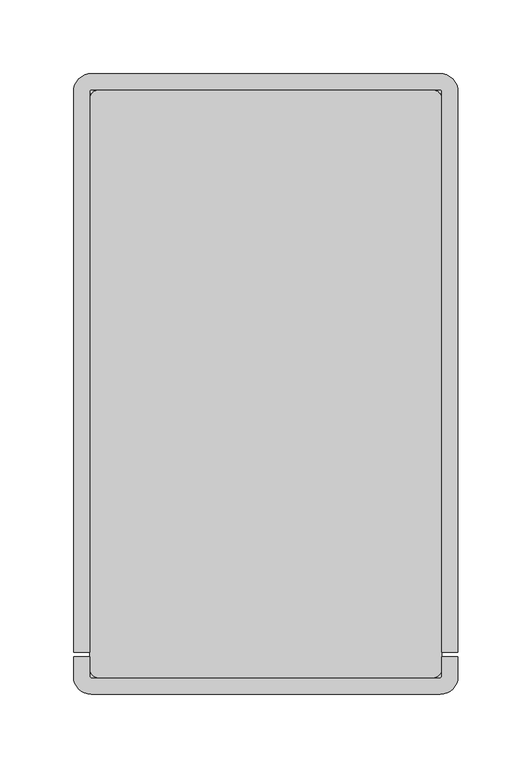
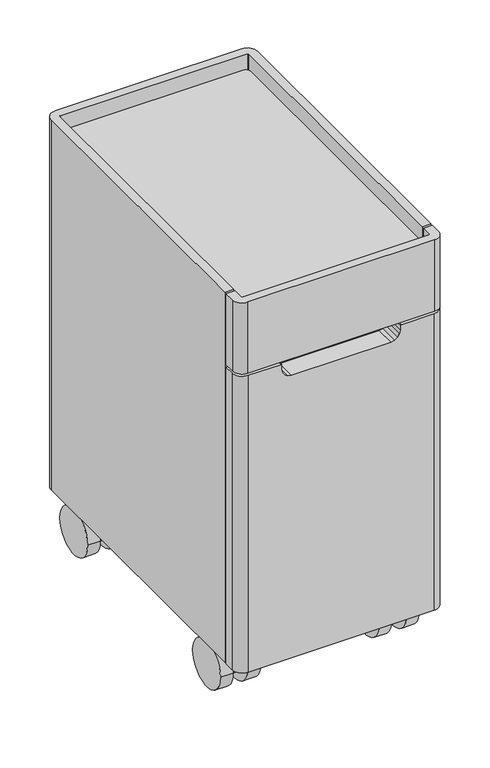
"""IFC4 building model written with IfcOpenShell, lengths in millimetres: furniture geometry."""

from ifc_helpers import new_model, si_unit, point, frame, frame_2d, origin, place, context, project, spatial, polyline, circle_curve, trimmed, segment, composite_curve, outline, extrude, source, transform, mapped, element, save
from ifc_brep_helpers import plane_surface, cylinder_surface, revolved_surface, advanced_brep


def furniture_dfc03f1b(model_context):
    return source(origin(), model_context, "Body", "SolidModel", [
        advanced_brep(
        [(230.8338534, 392.1080568, 81.9865934), (230.8338534, 384.3838281, 81.9865934), (230.8338534, 388.2459425, 81.9865934), (230.8338534, 396.2469802, 60.9600009), (230.8338534, 380.2449047, 60.9600009), (230.8338534, 396.2469802, 30.4800005), (230.8338534, 380.2449047, 30.4800005), (230.8338534, 388.2459425, 30.4800005)],
        [
            (0, 1, circle_curve(frame((230.8338534, 388.2459425, 81.9865934), z_axis=(0.0, 0.0, 1.0), x_axis=(0.0, -1.0, 0.0)), 3.8621143)),
            (1, 2),
            (2, 0),
            (1, 0, circle_curve(frame((230.8338534, 388.2459425, 81.9865934), z_axis=(0.0, 0.0, 1.0), x_axis=(0.0, -1.0, 0.0)), 3.8621143)),
            (0, 3),
            (3, 4, circle_curve(frame((230.8338534, 388.2459425, 60.9600009), z_axis=(0.0, 0.0, 1.0), x_axis=(0.0, -1.0, 0.0)), 8.0010378)),
            (4, 1),
            (4, 3, circle_curve(frame((230.8338534, 388.2459425, 60.9600009), z_axis=(0.0, 0.0, 1.0), x_axis=(0.0, -1.0, 0.0)), 8.0010378)),
            (3, 5),
            (5, 6, circle_curve(frame((230.8338534, 388.2459425, 30.4800005), z_axis=(0.0, 0.0, 1.0), x_axis=(0.0, -1.0, 0.0)), 8.0010378)),
            (6, 4),
            (6, 5, circle_curve(frame((230.8338534, 388.2459425, 30.4800005), z_axis=(0.0, 0.0, 1.0), x_axis=(0.0, -1.0, 0.0)), 8.0010378)),
            (5, 7),
            (7, 6),
        ],
        [
            plane_surface(frame((230.8338534, 388.2459425, 81.9865934), z_axis=(0.0, 0.0, 1.0), x_axis=(0.0, -1.0, 0.0))),
            revolved_surface(polyline([(230.8338534, 384.3838281, 81.9865934), (230.8338534, 380.2449047, 60.9600009)]), (230.8338534, 388.2459425, 64.8312081), (0.0, 0.0, -1.0)),
            cylinder_surface(frame((230.8338534, 388.2459425, 64.8312081), z_axis=(0.0, 0.0, -1.0), x_axis=(0.0, -1.0, 0.0)), 8.0010378),
            plane_surface(frame((230.8338534, 388.2459425, 30.4800005), z_axis=(0.0, 0.0, -1.0), x_axis=(0.0, -1.0, 0.0))),
        ],
        [
            (0, [[1, 2, 3]]),
            (0, [[-2, 4, -3]]),
            (1, [[-1, 5, 6, 7]]),
            (1, [[-4, -7, 8, -5]]),
            (2, [[-6, 9, 10, 11]]),
            (2, [[-8, -11, 12, -9]]),
            (3, [[-10, 13, 14]]),
            (3, [[-12, -14, -13]]),
        ],
    ),
        extrude(outline(composite_curve([segment(trimmed(circle_curve(frame_2d((367.9259255, 30.4800005)), 30.4800005), [point((337.445925, 30.4800005))], [point((398.405926, 30.4800005))], False, "CARTESIAN"), True, "CONTINUOUS"), segment(trimmed(circle_curve(frame_2d((367.9259255, 30.4800005)), 30.4800005), [point((398.405926, 30.4800005))], [point((337.445925, 30.4800005))], False, "CARTESIAN"), True, "CONTINUOUS")], self_intersect=False)), frame((240.2318535, 0.0, 0.0), z_axis=(1.0, 0.0, 0.0), x_axis=(0.0, 1.0, 0.0)), (0.0, 0.0, 1.0), 16.0020006),
        extrude(outline(composite_curve([segment(trimmed(circle_curve(frame_2d((367.9259255, 30.4800005)), 30.4800005), [point((337.445925, 30.4800005))], [point((398.405926, 30.4800005))], False, "CARTESIAN"), True, "CONTINUOUS"), segment(trimmed(circle_curve(frame_2d((367.9259255, 30.4800005)), 30.4800005), [point((398.405926, 30.4800005))], [point((337.445925, 30.4800005))], False, "CARTESIAN"), True, "CONTINUOUS")], self_intersect=False)), frame((205.4338526, 0.0, 0.0), z_axis=(1.0, 0.0, 0.0), x_axis=(0.0, 1.0, 0.0)), (0.0, 0.0, 1.0), 16.0020008),
        extrude(outline(composite_curve([segment(trimmed(circle_curve(frame_2d((367.9259255, 30.4800005)), 30.4800005), [point((337.445925, 30.4800005))], [point((398.405926, 30.4800005))], False, "CARTESIAN"), True, "CONTINUOUS"), segment(polyline([(398.405926, 30.4800005), (337.445925, 30.4800005)]), True, "CONTINUOUS")], self_intersect=False)), frame((222.2935172, 0.0, 0.0), z_axis=(1.0, 0.0, 0.0), x_axis=(0.0, 1.0, 0.0)), (0.0, 0.0, 1.0), 17.0806723),
        advanced_brep(
        [(230.8338534, 56.2728064, 81.9865934), (230.8338534, 60.1349207, 81.9865934), (230.8338534, 52.410692, 81.9865934), (230.8338534, 64.2738442, 60.9600009), (230.8338534, 48.2717686, 60.9600009), (230.8338534, 64.2738442, 30.4800005), (230.8338534, 48.2717686, 30.4800005), (230.8338534, 56.2728064, 30.4800005)],
        [
            (0, 1),
            (1, 2, circle_curve(frame((230.8338534, 56.2728064, 81.9865934), z_axis=(0.0, 0.0, 1.0), x_axis=(0.0, 1.0, 0.0)), 3.8621143)),
            (2, 0),
            (2, 1, circle_curve(frame((230.8338534, 56.2728064, 81.9865934), z_axis=(0.0, 0.0, 1.0), x_axis=(0.0, 1.0, 0.0)), 3.8621143)),
            (1, 3),
            (3, 4, circle_curve(frame((230.8338534, 56.2728064, 60.9600009), z_axis=(0.0, 0.0, 1.0), x_axis=(0.0, 1.0, 0.0)), 8.0010378)),
            (4, 2),
            (4, 3, circle_curve(frame((230.8338534, 56.2728064, 60.9600009), z_axis=(0.0, 0.0, 1.0), x_axis=(0.0, 1.0, 0.0)), 8.0010378)),
            (3, 5),
            (5, 6, circle_curve(frame((230.8338534, 56.2728064, 30.4800005), z_axis=(0.0, 0.0, 1.0), x_axis=(0.0, 1.0, 0.0)), 8.0010378)),
            (6, 4),
            (6, 5, circle_curve(frame((230.8338534, 56.2728064, 30.4800005), z_axis=(0.0, 0.0, 1.0), x_axis=(0.0, 1.0, 0.0)), 8.0010378)),
            (5, 7),
            (7, 6),
        ],
        [
            plane_surface(frame((230.8338534, 56.2728064, 81.9865934), z_axis=(0.0, 0.0, 1.0), x_axis=(0.0, 1.0, 0.0))),
            revolved_surface(polyline([(230.8338534, 64.2738442, 60.9600009), (230.8338534, 60.1349207, 81.9865934)]), (230.8338534, 56.2728064, 64.8312081), (0.0, 0.0, 1.0)),
            cylinder_surface(frame((230.8338534, 56.2728064, 64.8312081), z_axis=(0.0, 0.0, 1.0), x_axis=(0.0, 1.0, 0.0)), 8.0010378),
            plane_surface(frame((230.8338534, 56.2728064, 30.4800005), z_axis=(0.0, 0.0, -1.0), x_axis=(0.0, 1.0, 0.0))),
        ],
        [
            (0, [[1, 2, 3]]),
            (0, [[-1, -3, 4]]),
            (1, [[-2, 5, 6, 7]]),
            (1, [[-4, -7, 8, -5]]),
            (2, [[-6, 9, 10, 11]]),
            (2, [[-8, -11, 12, -9]]),
            (3, [[-10, 13, 14]]),
            (3, [[-12, -14, -13]]),
        ],
    ),
        extrude(outline(composite_curve([segment(trimmed(circle_curve(frame_2d((76.5928234, 30.4800005)), 30.4800005), [point((46.1128229, 30.4800005))], [point((107.0728238, 30.4800005))], False, "CARTESIAN"), True, "CONTINUOUS"), segment(trimmed(circle_curve(frame_2d((76.5928234, 30.4800005)), 30.4800005), [point((107.0728238, 30.4800005))], [point((46.1128229, 30.4800005))], False, "CARTESIAN"), True, "CONTINUOUS")], self_intersect=False)), frame((240.2318535, 0.0, 0.0), z_axis=(1.0, 0.0, 0.0), x_axis=(0.0, 1.0, 0.0)), (0.0, 0.0, 1.0), 16.0020006),
        extrude(outline(composite_curve([segment(trimmed(circle_curve(frame_2d((76.5928234, 30.4800005)), 30.4800005), [point((107.0728238, 30.4800005))], [point((46.1128229, 30.4800005))], False, "CARTESIAN"), True, "CONTINUOUS"), segment(trimmed(circle_curve(frame_2d((76.5928234, 30.4800005)), 30.4800005), [point((46.1128229, 30.4800005))], [point((107.0728238, 30.4800005))], False, "CARTESIAN"), True, "CONTINUOUS")], self_intersect=False)), frame((205.4338526, 0.0, 0.0), z_axis=(1.0, 0.0, 0.0), x_axis=(0.0, 1.0, 0.0)), (0.0, 0.0, 1.0), 16.0020008),
        extrude(outline(composite_curve([segment(trimmed(circle_curve(frame_2d((76.5928234, 30.4800005)), 30.4800005), [point((46.1128229, 30.4800005))], [point((107.0728238, 30.4800005))], False, "CARTESIAN"), True, "CONTINUOUS"), segment(polyline([(107.0728238, 30.4800005), (46.1128229, 30.4800005)]), True, "CONTINUOUS")], self_intersect=False)), frame((222.2935172, 0.0, 0.0), z_axis=(1.0, 0.0, 0.0), x_axis=(0.0, 1.0, 0.0)), (0.0, 0.0, 1.0), 17.0806723),
        advanced_brep(
        [(30.1661494, 388.2459425, 81.9865934), (30.1661494, 384.3838281, 81.9865934), (30.1661494, 392.1080568, 81.9865934), (30.1661494, 380.2449047, 60.9600009), (30.1661494, 396.2469802, 60.9600009), (30.1661494, 380.2449047, 30.4800005), (30.1661494, 396.2469802, 30.4800005), (30.1661494, 388.2459425, 30.4800005)],
        [
            (0, 1),
            (1, 2, circle_curve(frame((30.1661494, 388.2459425, 81.9865934), z_axis=(0.0, 0.0, 1.0), x_axis=(0.0, -1.0, 0.0)), 3.8621143)),
            (2, 0),
            (2, 1, circle_curve(frame((30.1661494, 388.2459425, 81.9865934), z_axis=(0.0, 0.0, 1.0), x_axis=(0.0, -1.0, 0.0)), 3.8621143)),
            (1, 3),
            (3, 4, circle_curve(frame((30.1661494, 388.2459425, 60.9600009), z_axis=(0.0, 0.0, 1.0), x_axis=(0.0, -1.0, 0.0)), 8.0010378)),
            (4, 2),
            (4, 3, circle_curve(frame((30.1661494, 388.2459425, 60.9600009), z_axis=(0.0, 0.0, 1.0), x_axis=(0.0, -1.0, 0.0)), 8.0010378)),
            (3, 5),
            (5, 6, circle_curve(frame((30.1661494, 388.2459425, 30.4800005), z_axis=(0.0, 0.0, 1.0), x_axis=(0.0, -1.0, 0.0)), 8.0010378)),
            (6, 4),
            (6, 5, circle_curve(frame((30.1661494, 388.2459425, 30.4800005), z_axis=(0.0, 0.0, 1.0), x_axis=(0.0, -1.0, 0.0)), 8.0010378)),
            (5, 7),
            (7, 6),
        ],
        [
            plane_surface(frame((30.1661494, 388.2459425, 81.9865934), z_axis=(0.0, 0.0, 1.0), x_axis=(0.0, -1.0, 0.0))),
            revolved_surface(polyline([(30.1661494, 380.2449047, 60.9600009), (30.1661494, 384.3838281, 81.9865934)]), (30.1661494, 388.2459425, 64.8312081), (0.0, 0.0, 1.0)),
            cylinder_surface(frame((30.1661494, 388.2459425, 64.8312081), z_axis=(0.0, 0.0, 1.0), x_axis=(0.0, -1.0, 0.0)), 8.0010378),
            plane_surface(frame((30.1661494, 388.2459425, 30.4800005), z_axis=(0.0, 0.0, -1.0), x_axis=(0.0, -1.0, 0.0))),
        ],
        [
            (0, [[1, 2, 3]]),
            (0, [[-1, -3, 4]]),
            (1, [[-2, 5, 6, 7]]),
            (1, [[-4, -7, 8, -5]]),
            (2, [[-6, 9, 10, 11]]),
            (2, [[-8, -11, 12, -9]]),
            (3, [[-10, 13, 14]]),
            (3, [[-12, -14, -13]]),
        ],
    ),
        extrude(outline(composite_curve([segment(trimmed(circle_curve(frame_2d((367.9259255, 30.4800005)), 30.4800005), [point((337.445925, 30.4800005))], [point((398.405926, 30.4800005))], False, "CARTESIAN"), True, "CONTINUOUS"), segment(trimmed(circle_curve(frame_2d((367.9259255, 30.4800005)), 30.4800005), [point((398.405926, 30.4800005))], [point((337.445925, 30.4800005))], False, "CARTESIAN"), True, "CONTINUOUS")], self_intersect=False)), frame((4.7661486, 0.0, 0.0), z_axis=(1.0, 0.0, 0.0), x_axis=(0.0, 1.0, 0.0)), (0.0, 0.0, 1.0), 16.0020006),
        extrude(outline(composite_curve([segment(trimmed(circle_curve(frame_2d((367.9259255, 30.4800005)), 30.4800005), [point((337.445925, 30.4800005))], [point((398.405926, 30.4800005))], False, "CARTESIAN"), True, "CONTINUOUS"), segment(trimmed(circle_curve(frame_2d((367.9259255, 30.4800005)), 30.4800005), [point((398.405926, 30.4800005))], [point((337.445925, 30.4800005))], False, "CARTESIAN"), True, "CONTINUOUS")], self_intersect=False)), frame((39.5641494, 0.0, 0.0), z_axis=(1.0, 0.0, 0.0), x_axis=(0.0, 1.0, 0.0)), (0.0, 0.0, 1.0), 16.0020008),
        extrude(outline(composite_curve([segment(trimmed(circle_curve(frame_2d((367.9259255, 30.4800005)), 30.4800005), [point((337.445925, 30.4800005))], [point((398.405926, 30.4800005))], False, "CARTESIAN"), True, "CONTINUOUS"), segment(polyline([(398.405926, 30.4800005), (337.445925, 30.4800005)]), True, "CONTINUOUS")], self_intersect=False)), frame((21.6258132, 0.0, 0.0), z_axis=(1.0, 0.0, 0.0), x_axis=(0.0, 1.0, 0.0)), (0.0, 0.0, 1.0), 17.0806723),
        advanced_brep(
        [(30.1661494, 52.410692, 81.9865934), (30.1661494, 60.1349207, 81.9865934), (30.1661494, 56.2728064, 81.9865934), (30.1661494, 48.2717686, 60.9600009), (30.1661494, 64.2738442, 60.9600009), (30.1661494, 48.2717686, 30.4800005), (30.1661494, 64.2738442, 30.4800005), (30.1661494, 56.2728064, 30.4800005)],
        [
            (0, 1, circle_curve(frame((30.1661494, 56.2728064, 81.9865934), z_axis=(0.0, 0.0, 1.0), x_axis=(0.0, 1.0, 0.0)), 3.8621143)),
            (1, 2),
            (2, 0),
            (1, 0, circle_curve(frame((30.1661494, 56.2728064, 81.9865934), z_axis=(0.0, 0.0, 1.0), x_axis=(0.0, 1.0, 0.0)), 3.8621143)),
            (3, 4, circle_curve(frame((30.1661494, 56.2728064, 60.9600009), z_axis=(0.0, 0.0, 1.0), x_axis=(0.0, 1.0, 0.0)), 8.0010378)),
            (4, 1),
            (0, 3),
            (4, 3, circle_curve(frame((30.1661494, 56.2728064, 60.9600009), z_axis=(0.0, 0.0, 1.0), x_axis=(0.0, 1.0, 0.0)), 8.0010378)),
            (5, 6, circle_curve(frame((30.1661494, 56.2728064, 30.4800005), z_axis=(0.0, 0.0, 1.0), x_axis=(0.0, 1.0, 0.0)), 8.0010378)),
            (6, 4),
            (3, 5),
            (6, 5, circle_curve(frame((30.1661494, 56.2728064, 30.4800005), z_axis=(0.0, 0.0, 1.0), x_axis=(0.0, 1.0, 0.0)), 8.0010378)),
            (7, 6),
            (5, 7),
        ],
        [
            plane_surface(frame((30.1661494, 56.2728064, 81.9865934), z_axis=(0.0, 0.0, 1.0), x_axis=(0.0, 1.0, 0.0))),
            revolved_surface(polyline([(30.1661494, 60.1349207, 81.9865934), (30.1661494, 64.2738442, 60.9600009)]), (30.1661494, 56.2728064, 64.8312081), (0.0, 0.0, -1.0)),
            cylinder_surface(frame((30.1661494, 56.2728064, 64.8312081), z_axis=(0.0, 0.0, -1.0), x_axis=(0.0, 1.0, 0.0)), 8.0010378),
            plane_surface(frame((30.1661494, 56.2728064, 30.4800005), z_axis=(0.0, 0.0, -1.0), x_axis=(0.0, 1.0, 0.0))),
        ],
        [
            (0, [[1, 2, 3]]),
            (0, [[4, -3, -2]]),
            (1, [[5, 6, -1, 7]]),
            (1, [[8, -7, -4, -6]]),
            (2, [[9, 10, -5, 11]]),
            (2, [[12, -11, -8, -10]]),
            (3, [[13, -9, 14]]),
            (3, [[-14, -12, -13]]),
        ],
    ),
        advanced_brep(
        [(4.7661486, 107.0728238, 30.4800005), (4.7661486, 46.1128229, 30.4800005), (20.7681494, 107.0728238, 30.4800005), (20.7681494, 76.5928234, 0.0), (20.7681494, 46.1128229, 30.4800005)],
        [
            (0, 1, circle_curve(frame((4.7661486, 76.5928234, 30.4800005), z_axis=(-1.0, 0.0, 0.0), x_axis=(0.0, -1.0, 0.0)), 30.4800005)),
            (1, 0, circle_curve(frame((4.7661486, 76.5928234, 30.4800005), z_axis=(-1.0, 0.0, 0.0), x_axis=(0.0, -1.0, 0.0)), 30.4800005)),
            (0, 2),
            (2, 3, circle_curve(frame((20.7681494, 76.5928234, 30.4800005), z_axis=(-1.0, 0.0, 0.0), x_axis=(0.0, -1.0, 0.0)), 30.4800005)),
            (3, 4, circle_curve(frame((20.7681494, 76.5928234, 30.4800005), z_axis=(-1.0, 0.0, 0.0), x_axis=(0.0, -1.0, 0.0)), 30.4800005)),
            (4, 1),
            (4, 2, circle_curve(frame((20.7681494, 76.5928234, 30.4800005), z_axis=(-1.0, 0.0, 0.0), x_axis=(0.0, -1.0, 0.0)), 30.4800005)),
        ],
        [
            plane_surface(frame((4.7661486, 46.1128229, 30.4800005), z_axis=(-1.0, 0.0, 0.0), x_axis=(0.0, 0.0, 1.0))),
            cylinder_surface(frame((55.5661501, 76.5928234, 30.4800005), z_axis=(-1.0, 0.0, 0.0), x_axis=(0.0, -1.0, 0.0)), 30.4800005),
            plane_surface(frame((20.7681494, 107.0728238, 64.8312081), z_axis=(1.0, 0.0, 0.0), x_axis=(0.0, 0.0, -1.0))),
        ],
        [
            (0, [[1, 2]]),
            (1, [[-1, 3, 4, 5, 6]]),
            (1, [[-2, -6, 7, -3]]),
            (2, [[-4, -7, -5]]),
        ],
    ),
        advanced_brep(
        [(55.5661501, 107.0728238, 30.4800005), (55.5661501, 46.1128229, 30.4800005), (39.5641494, 46.1128229, 30.4800005), (39.5641494, 76.5928234, 0.0), (39.5641494, 107.0728238, 30.4800005)],
        [
            (0, 1, circle_curve(frame((55.5661501, 76.5928234, 30.4800005), z_axis=(1.0, 0.0, 0.0), x_axis=(0.0, -1.0, 0.0)), 30.4800005)),
            (1, 0, circle_curve(frame((55.5661501, 76.5928234, 30.4800005), z_axis=(1.0, 0.0, 0.0), x_axis=(0.0, -1.0, 0.0)), 30.4800005)),
            (1, 2),
            (2, 3, circle_curve(frame((39.5641494, 76.5928234, 30.4800005), z_axis=(1.0, 0.0, 0.0), x_axis=(0.0, -1.0, 0.0)), 30.4800005)),
            (3, 4, circle_curve(frame((39.5641494, 76.5928234, 30.4800005), z_axis=(1.0, 0.0, 0.0), x_axis=(0.0, -1.0, 0.0)), 30.4800005)),
            (4, 0),
            (4, 2, circle_curve(frame((39.5641494, 76.5928234, 30.4800005), z_axis=(1.0, 0.0, 0.0), x_axis=(0.0, -1.0, 0.0)), 30.4800005)),
        ],
        [
            plane_surface(frame((55.5661501, 46.1128229, 30.4800005), z_axis=(1.0, 0.0, 0.0), x_axis=(0.0, 0.0, -1.0))),
            cylinder_surface(frame((55.5661501, 76.5928234, 30.4800005), z_axis=(-1.0, 0.0, 0.0), x_axis=(0.0, -1.0, 0.0)), 30.4800005),
            plane_surface(frame((39.5641494, 46.1128229, 64.8312081), z_axis=(-1.0, 0.0, 0.0), x_axis=(0.0, 0.0, -1.0))),
        ],
        [
            (0, [[1, 2]]),
            (1, [[-2, 3, 4, 5, 6]]),
            (1, [[-1, -6, 7, -3]]),
            (2, [[-5, -4, -7]]),
        ],
    ),
        advanced_brep(
        [(38.7064855, 46.1128229, 30.4800005), (38.7064855, 107.0728238, 30.4800005), (21.6258132, 107.0728238, 30.4800005), (21.6258132, 46.1128229, 30.4800005)],
        [
            (0, 1, circle_curve(frame((38.7064855, 76.5928234, 30.4800005), z_axis=(-1.0, 0.0, 0.0), x_axis=(0.0, -1.0, 0.0)), 30.4800005)),
            (1, 2),
            (2, 3, circle_curve(frame((21.6258132, 76.5928234, 30.4800005), z_axis=(1.0, 0.0, 0.0), x_axis=(0.0, -1.0, 0.0)), 30.4800005)),
            (3, 0),
            (0, 1),
            (2, 3),
        ],
        [
            cylinder_surface(frame((55.5661501, 76.5928234, 30.4800005), z_axis=(-1.0, 0.0, 0.0), x_axis=(0.0, -1.0, 0.0)), 30.4800005),
            plane_surface(frame((38.7064855, 107.0728238, 64.8312081), z_axis=(1.0, 0.0, 0.0), x_axis=(0.0, 0.0, -1.0))),
            plane_surface(frame((21.6258132, 46.1128229, 64.8312081), z_axis=(-1.0, 0.0, 0.0), x_axis=(0.0, 0.0, -1.0))),
            plane_surface(frame((39.5641494, 107.0728238, 30.4800005), z_axis=(0.0, 0.0, -1.0), x_axis=(-1.0, 0.0, 0.0))),
        ],
        [
            (0, [[1, 2, 3, 4]]),
            (1, [[-1, 5]]),
            (2, [[-3, 6]]),
            (3, [[-2, -5, -4, -6]]),
        ],
    ),
        extrude(outline(polyline([(250.0087041, 28.4999932), (10.9912986, 28.4999932), (10.9912986, 31.5479932), (250.0087041, 31.5479932), (250.0087041, 28.4999932)])), frame((0.0, 0.0, 62.7640559), z_axis=(0.0, 0.0, 1.0), x_axis=(1.0, 0.0, 0.0)), (0.0, 0.0, 1.0), 27.3200257),
        extrude(outline(composite_curve([segment(trimmed(circle_curve(frame_2d((243.6587041, 404.1587003)), 6.35), [point((243.6587041, 410.5087003))], [point((250.0087041, 404.1587003))], False, "CARTESIAN"), True, "CONTINUOUS"), segment(polyline([(250.0087041, 404.1587003), (250.0087041, 17.3412986)]), True, "CONTINUOUS"), segment(trimmed(circle_curve(frame_2d((243.6587041, 17.3412986)), 6.35), [point((250.0087041, 17.3412986))], [point((243.6587041, 10.9912986))], False, "CARTESIAN"), True, "CONTINUOUS"), segment(polyline([(243.6587041, 10.9912986), (17.3412986, 10.9912986)]), True, "CONTINUOUS"), segment(trimmed(circle_curve(frame_2d((17.3412986, 17.3412986)), 6.35), [point((17.3412986, 10.9912986))], [point((10.9912986, 17.3412986))], False, "CARTESIAN"), True, "CONTINUOUS"), segment(polyline([(10.9912986, 17.3412986), (10.9912986, 404.1587003)]), True, "CONTINUOUS"), segment(trimmed(circle_curve(frame_2d((17.3412986, 404.1587003)), 6.35), [point((10.9912986, 404.1587003))], [point((17.3412986, 410.5087003))], False, "CARTESIAN"), True, "CONTINUOUS"), segment(polyline([(17.3412986, 410.5087003), (243.6587041, 410.5087003)]), True, "CONTINUOUS")], self_intersect=False)), frame((0.0, 0.0, 527.4118917), z_axis=(0.0, 0.0, 1.0), x_axis=(1.0, 0.0, 0.0)), (0.0, 0.0, 1.0), 10.16),
        advanced_brep(
        [(54.3797831, 0.0, 459.4643967), (54.3797831, 25.5000015, 459.4643967), (0.0, 25.5000015, 459.4643967), (0.0, 12.7, 459.4643967), (12.7, 0.0, 459.4643967), (55.5000008, 0.0, 458.344179), (55.5000008, 25.5000015, 458.344179), (55.5000008, 0.0, 452.4643879), (55.5000008, 25.5000015, 452.4643879), (56.4134488, 0.0, 447.87219), (56.4134488, 25.5000015, 447.87219), (59.0147254, 0.0, 443.9791137), (59.0147254, 25.5000015, 443.9791137), (62.9078017, 0.0, 441.377819), (62.9078017, 25.5000015, 441.377819), (67.5000041, 0.0, 440.4643936), (67.5000041, 25.5000015, 440.4643936), (193.4999986, 0.0, 440.4643936), (193.4999986, 25.5000015, 440.4643936), (198.0922146, 0.0, 441.377819), (198.0922146, 25.5000015, 441.377819), (201.985291, 0.0, 443.9791137), (201.985291, 25.5000015, 443.9791137), (204.5865675, 0.0, 447.87219), (204.5865675, 25.5000015, 447.87219), (205.500011, 0.0, 452.4643879), (205.500011, 25.5000015, 452.4643879), (205.500011, 0.0, 458.2351482), (205.500011, 25.5000015, 458.2351482), (206.7292594, 0.0, 459.4643967), (206.7292594, 25.5000015, 459.4643967), (248.3000027, 0.0, 459.4643967), (261.0000027, 12.7, 459.4643967), (261.0000027, 25.5000015, 459.4643967), (0.0, 12.7, 62.7640559), (0.0, 25.5000015, 62.7640559), (261.0000027, 25.5000015, 62.7640559), (261.0000027, 12.7, 62.7640559), (248.3000027, 0.0, 62.7640559), (12.7, 0.0, 62.7640559)],
        [
            (0, 1),
            (1, 2),
            (2, 3),
            (3, 4, circle_curve(frame((12.7, 12.7, 459.4643967), z_axis=(0.0, 0.0, 1.0), x_axis=(1.0, 0.0, 0.0)), 12.7)),
            (4, 0),
            (0, 5, circle_curve(frame((54.3797831, 0.0, 458.344179), z_axis=(0.0, 1.0, 0.0), x_axis=(1.0, 0.0, 0.0)), 1.1202177)),
            (5, 6),
            (6, 1, circle_curve(frame((54.3797831, 25.5000015, 458.344179), z_axis=(0.0, -1.0, 0.0), x_axis=(1.0, 0.0, 0.0)), 1.1202177)),
            (5, 7),
            (7, 8),
            (8, 6),
            (7, 9),
            (9, 10),
            (10, 8),
            (9, 11),
            (11, 12),
            (12, 10),
            (11, 13),
            (13, 14),
            (14, 12),
            (13, 15),
            (15, 16),
            (16, 14),
            (15, 17),
            (17, 18),
            (18, 16),
            (17, 19),
            (19, 20),
            (20, 18),
            (19, 21),
            (21, 22),
            (22, 20),
            (21, 23),
            (23, 24),
            (24, 22),
            (23, 25),
            (25, 26),
            (26, 24),
            (25, 27),
            (27, 28),
            (28, 26),
            (27, 29, circle_curve(frame((206.7292594, 0.0, 458.2351482), z_axis=(0.0, 1.0, 0.0), x_axis=(1.0, 0.0, 0.0)), 1.2292484)),
            (29, 30),
            (30, 28, circle_curve(frame((206.7292594, 25.5000015, 458.2351482), z_axis=(0.0, -1.0, 0.0), x_axis=(1.0, 0.0, 0.0)), 1.2292484)),
            (29, 31),
            (31, 32, circle_curve(frame((248.3000027, 12.7, 459.4643967), z_axis=(0.0, 0.0, 1.0), x_axis=(1.0, 0.0, 0.0)), 12.7)),
            (32, 33),
            (33, 30),
            (34, 35),
            (35, 36),
            (36, 37),
            (37, 38, circle_curve(frame((248.3000027, 12.7, 62.7640559), z_axis=(0.0, 0.0, -1.0), x_axis=(1.0, 0.0, 0.0)), 12.7)),
            (38, 39),
            (39, 34, circle_curve(frame((12.7, 12.7, 62.7640559), z_axis=(0.0, 0.0, -1.0), x_axis=(1.0, 0.0, 0.0)), 12.7)),
            (35, 2),
            (33, 36),
            (34, 3),
            (39, 4),
            (38, 31),
            (37, 32),
        ],
        [
            plane_surface(frame((0.0, 0.0, 459.4643967), z_axis=(0.0, 0.0, 1.0), x_axis=(0.0, 1.0, 0.0))),
            cylinder_surface(frame((54.3797831, 28.4999932, 458.344179), z_axis=(0.0, 1.0, 0.0), x_axis=(1.0, 0.0, 0.0)), 1.1202177),
            plane_surface(frame((55.5000008, 0.0, 458.344179), z_axis=(1.0, 0.0, 0.0), x_axis=(0.0, 1.0, 0.0))),
            plane_surface(frame((55.5000008, 0.0, 452.4643879), z_axis=(0.9807851535229013, 0.0, 0.19509095988553363), x_axis=(0.0, 1.0, 0.0))),
            plane_surface(frame((56.4134488, 0.0, 447.87219), z_axis=(0.8314690099902524, 0.0, 0.5555711344425928), x_axis=(0.0, 1.0, 0.0))),
            plane_surface(frame((59.0147254, 0.0, 443.9791137), z_axis=(0.5555738169377431, 0.0, 0.831467217593831), x_axis=(0.0, 1.0, 0.0))),
            plane_surface(frame((62.9078017, 0.0, 441.377819), z_axis=(0.19508610868871695, 0.0, 0.9807861184767523), x_axis=(0.0, 1.0, 0.0))),
            plane_surface(frame((67.5000041, 0.0, 440.4643936), z_axis=(0.0, 0.0, 1.0), x_axis=(0.0, 1.0, 0.0))),
            plane_surface(frame((193.4999986, 0.0, 440.4643936), z_axis=(-0.19508555187611298, 0.0, 0.9807862292310147), x_axis=(0.0, 1.0, 0.0))),
            plane_surface(frame((198.0922146, 0.0, 441.377819), z_axis=(-0.5555738169377431, 0.0, 0.831467217593831), x_axis=(0.0, 1.0, 0.0))),
            plane_surface(frame((201.985291, 0.0, 443.9791137), z_axis=(-0.8314690099902524, 0.0, 0.5555711344425928), x_axis=(0.0, 1.0, 0.0))),
            plane_surface(frame((204.5865675, 0.0, 447.87219), z_axis=(-0.9807853391316469, 0.0, 0.19509002676820855), x_axis=(0.0, 1.0, 0.0))),
            plane_surface(frame((205.500011, 0.0, 452.4643879), z_axis=(-1.0, 0.0, 0.0), x_axis=(0.0, 1.0, 0.0))),
            cylinder_surface(frame((206.7292594, 28.4999932, 458.2351482), z_axis=(0.0, 1.0, 0.0), x_axis=(1.0, 0.0, 0.0)), 1.2292484),
            plane_surface(frame((206.7292594, 0.0, 459.4643967), z_axis=(0.0, 0.0, 1.0), x_axis=(0.0, 1.0, 0.0))),
            plane_surface(frame((25.4, 12.7, 62.7640559), z_axis=(0.0, 0.0, -1.0), x_axis=(0.0, -1.0, 0.0))),
            plane_surface(frame((261.0000027, 25.5000015, 462.6418917), z_axis=(0.0, 1.0, 0.0), x_axis=(0.0, 0.0, -1.0))),
            plane_surface(frame((0.0, 25.5000015, 462.6418917), z_axis=(-1.0, 0.0, 0.0), x_axis=(0.0, 0.0, -1.0))),
            cylinder_surface(frame((12.7, 12.7, 62.7640559), z_axis=(0.0, 0.0, 1.0), x_axis=(1.0, 0.0, 0.0)), 12.7),
            plane_surface(frame((12.7, 0.0, 462.6418917), z_axis=(0.0, -1.0, 0.0), x_axis=(0.0, 0.0, -1.0))),
            cylinder_surface(frame((248.3000027, 12.7, 62.7640559), z_axis=(0.0, 0.0, 1.0), x_axis=(1.0, 0.0, 0.0)), 12.7),
            plane_surface(frame((261.0000027, 12.7, 462.6418917), z_axis=(1.0, 0.0, 0.0), x_axis=(0.0, 0.0, -1.0))),
        ],
        [
            (0, [[1, 2, 3, 4, 5]]),
            (1, [[-1, 6, 7, 8]]),
            (2, [[-7, 9, 10, 11]]),
            (3, [[-10, 12, 13, 14]]),
            (4, [[-13, 15, 16, 17]]),
            (5, [[-16, 18, 19, 20]]),
            (6, [[-19, 21, 22, 23]]),
            (7, [[-22, 24, 25, 26]]),
            (8, [[-25, 27, 28, 29]]),
            (9, [[-28, 30, 31, 32]]),
            (10, [[-31, 33, 34, 35]]),
            (11, [[-34, 36, 37, 38]]),
            (12, [[-37, 39, 40, 41]]),
            (13, [[-40, 42, 43, 44]]),
            (14, [[-43, 45, 46, 47, 48]]),
            (15, [[49, 50, 51, 52, 53, 54]]),
            (16, [[-50, 55, -2, -8, -11, -14, -17, -20, -23, -26, -29, -32, -35, -38, -41, -44, -48, 56]]),
            (17, [[-49, 57, -3, -55]]),
            (18, [[-54, 58, -4, -57]]),
            (19, [[-53, 59, -45, -42, -39, -36, -33, -30, -27, -24, -21, -18, -15, -12, -9, -6, -5, -58]]),
            (20, [[-52, 60, -46, -59]]),
            (21, [[-51, -56, -47, -60]]),
        ],
    ),
        extrude(outline(composite_curve([segment(polyline([(250.0087041, 25.5000015), (261.0000027, 25.5000015), (261.0000027, 11.9509481)]), True, "CONTINUOUS"), segment(trimmed(circle_curve(frame_2d((249.0490547, 11.9509481)), 11.9509481), [point((261.0000027, 11.9509481))], [point((249.0490547, 0.0))], False, "CARTESIAN"), True, "CONTINUOUS"), segment(polyline([(249.0490547, 0.0), (11.9689086, 0.0)]), True, "CONTINUOUS"), segment(trimmed(circle_curve(frame_2d((11.9689086, 11.9689086)), 11.9689086), [point((11.9689086, 0.0))], [point((0.0, 11.9689086))], False, "CARTESIAN"), True, "CONTINUOUS"), segment(polyline([(0.0, 11.9689086), (0.0, 25.5000015), (10.9912986, 25.5000015), (10.9912986, 11.8911967)]), True, "CONTINUOUS"), segment(trimmed(circle_curve(frame_2d((11.8911967, 11.8911967)), 0.8998981), [point((10.9912986, 11.8911967))], [point((11.8911967, 10.9912986))], True, "CARTESIAN"), True, "CONTINUOUS"), segment(polyline([(11.8911967, 10.9912986), (249.0537338, 10.9912986)]), True, "CONTINUOUS"), segment(trimmed(circle_curve(frame_2d((249.0537338, 11.9462689)), 0.9549703), [point((249.0537338, 10.9912986))], [point((250.0087041, 11.9462689))], True, "CARTESIAN"), True, "CONTINUOUS"), segment(polyline([(250.0087041, 11.9462689), (250.0087041, 25.5000015)]), True, "CONTINUOUS")], self_intersect=False)), frame((0.0, 0.0, 462.6418917), z_axis=(0.0, 0.0, 1.0), x_axis=(1.0, 0.0, 0.0)), (0.0, 0.0, 1.0), 95.25),
        extrude(outline(polyline([(250.0087041, 410.5087003), (250.0087041, 31.5479932), (10.9912986, 31.5479932), (10.9912986, 410.5087003), (250.0087041, 410.5087003)])), frame((0.0, 0.0, 73.8130559), z_axis=(0.0, 0.0, 1.0), x_axis=(1.0, 0.0, 0.0)), (0.0, 0.0, 1.0), 16.2710257),
        extrude(outline(composite_curve([segment(trimmed(circle_curve(frame_2d((248.8080027, 409.3079989)), 12.192), [point((248.8080027, 421.4999989))], [point((261.0000027, 409.3079989))], False, "CARTESIAN"), True, "CONTINUOUS"), segment(polyline([(261.0000027, 409.3079989), (261.0000027, 28.4999932), (250.0087041, 28.4999932), (250.0087041, 409.4565578)]), True, "CONTINUOUS"), segment(trimmed(circle_curve(frame_2d((248.9565617, 409.4565578)), 1.0521425), [point((250.0087041, 409.4565578))], [point((248.9565617, 410.5087003))], True, "CARTESIAN"), True, "CONTINUOUS"), segment(polyline([(248.9565617, 410.5087003), (12.0072986, 410.5087003)]), True, "CONTINUOUS"), segment(trimmed(circle_curve(frame_2d((12.0072986, 409.4927003)), 1.016), [point((12.0072986, 410.5087003))], [point((10.9912986, 409.4927003))], True, "CARTESIAN"), True, "CONTINUOUS"), segment(polyline([(10.9912986, 409.4927003), (10.9912986, 28.4999932), (0.0, 28.4999932), (0.0, 409.3079989)]), True, "CONTINUOUS"), segment(trimmed(circle_curve(frame_2d((12.192, 409.3079989)), 12.192), [point((0.0, 409.3079989))], [point((12.192, 421.4999989))], False, "CARTESIAN"), True, "CONTINUOUS"), segment(polyline([(12.192, 421.4999989), (248.8080027, 421.4999989)]), True, "CONTINUOUS")], self_intersect=False)), frame((0.0, 0.0, 62.7640559), z_axis=(0.0, 0.0, 1.0), x_axis=(1.0, 0.0, 0.0)), (0.0, 0.0, 1.0), 495.1278357),
    ])


if __name__ == "__main__":
    model = new_model("IFC4")
    model_context = context("Model", 3, world=origin())
    ifc_project = project(units=[si_unit("LENGTHUNIT", "METRE", prefix="MILLI")], contexts=[model_context])
    site = spatial("IfcSite", under=ifc_project)
    building = spatial("IfcBuilding", under=site)
    placement = place(None, origin())
    furniture_shape = furniture_dfc03f1b(model_context)
    element("IfcFurniture", 1, at=placement, inside=building, context=model_context, shape_type="MappedRepresentation", body=[
        mapped(furniture_shape, transform((0.0, 0.0, 0.0), x_axis=(1.0, 0.0, 0.0), y_axis=(0.0, 1.0, 0.0), z_axis=(0.0, 0.0, 1.0))),
    ])
    save(model, "model.ifc")
